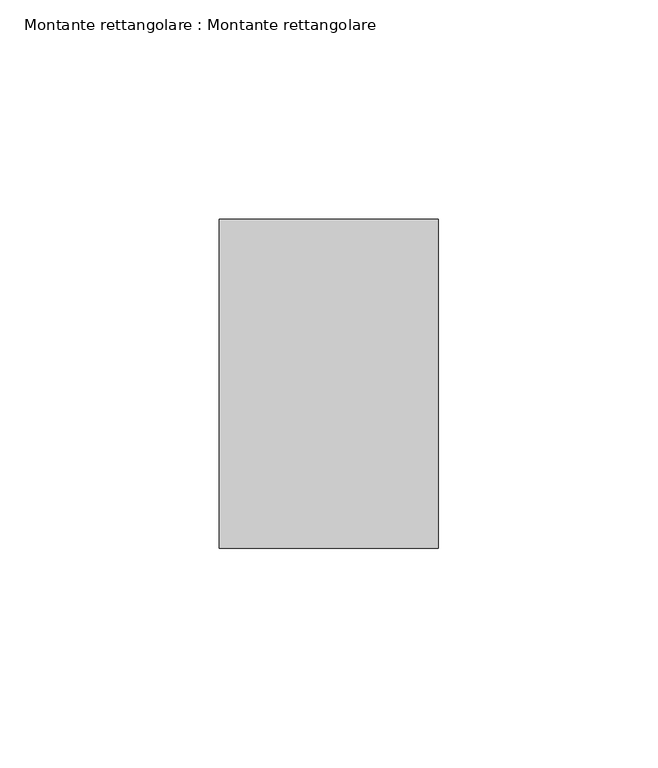
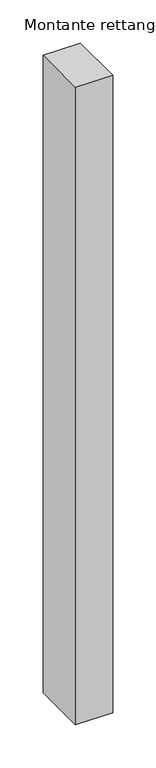
"""IFC4 building model written with IfcOpenShell, lengths in millimetres: member geometry, Montante rettangolare : Montante rettangolare."""

from ifc_helpers import new_model, si_unit, frame, origin, place, context, project, spatial, polyline, outline, extrude, source, transform, mapped, element, save


def montante_rettangolare_montante_rettangolare_4a653181(model_context):
    return source(origin(), model_context, "Body", "SweptSolid", [
        extrude(outline(polyline([(0.0, 37.5), (0.0, -37.5), (-50.0, -37.5), (-50.0, 37.5), (0.0, 37.5)])), frame((0.0, 0.0, -905.0), z_axis=(0.0, 0.0, 1.0), x_axis=(1.0, 0.0, 0.0)), (0.0, 0.0, 1.0), 905.0),
    ])


if __name__ == "__main__":
    model = new_model("IFC4")
    model_context = context("Model", 3, world=origin())
    ifc_project = project(units=[si_unit("LENGTHUNIT", "METRE", prefix="MILLI")], contexts=[model_context])
    site = spatial("IfcSite", under=ifc_project)
    building = spatial("IfcBuilding", under=site)
    placement = place(None, origin())
    montante_rettangolare_montante_rettangolare_shape = montante_rettangolare_montante_rettangolare_4a653181(model_context)
    element("IfcMember", 1, ObjectType="Montante rettangolare : Montante rettangolare", at=placement, inside=building, context=model_context, shape_type="MappedRepresentation", body=[
        mapped(montante_rettangolare_montante_rettangolare_shape, transform((0.0, 0.0, 0.0), x_axis=(1.0, 0.0, 0.0), y_axis=(0.0, 1.0, 0.0), z_axis=(0.0, 0.0, 1.0))),
    ])
    save(model, "model.ifc")
